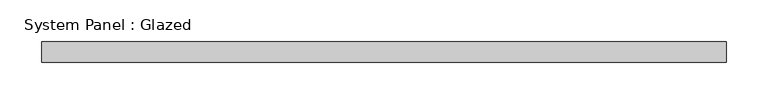
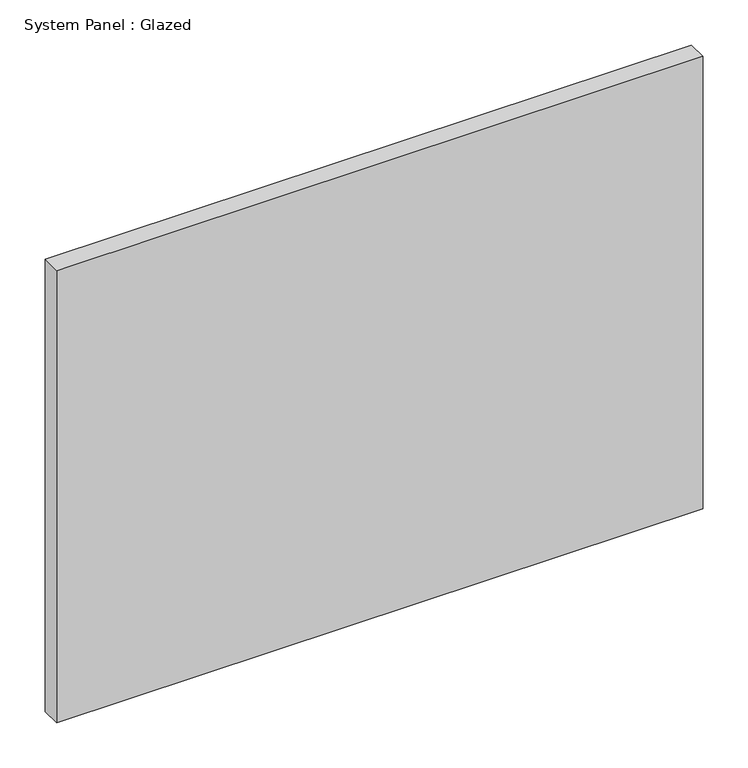
"""IFC4 building model written with IfcOpenShell, lengths in millimetres: plate geometry, System Panel : Glazed."""

from ifc_helpers import new_model, si_unit, origin, origin_with_axes, place, context, project, spatial, polyline, outline, extrude, source, transform, mapped, element, save


def system_panel_glazed_01eac18d(model_context):
    return source(origin(), model_context, "Body", "SweptSolid", [
        extrude(outline(polyline([(412.5, -49.5), (-412.5, -49.5), (-412.5, -24.5), (412.5, -24.5), (412.5, -49.5)])), origin_with_axes(), (0.0, 0.0, 1.0), 610.0),
    ])


if __name__ == "__main__":
    model = new_model("IFC4")
    model_context = context("Model", 3, world=origin())
    ifc_project = project(units=[si_unit("LENGTHUNIT", "METRE", prefix="MILLI")], contexts=[model_context])
    site = spatial("IfcSite", under=ifc_project)
    building = spatial("IfcBuilding", under=site)
    placement = place(None, origin())
    system_panel_glazed_shape = system_panel_glazed_01eac18d(model_context)
    element("IfcPlate", 1, ObjectType="System Panel : Glazed", at=placement, inside=building, context=model_context, shape_type="MappedRepresentation", body=[
        mapped(system_panel_glazed_shape, transform((0.0, 0.0, 0.0), x_axis=(1.0, 0.0, 0.0), y_axis=(0.0, 1.0, 0.0), z_axis=(0.0, 0.0, 1.0))),
    ])
    save(model, "model.ifc")
